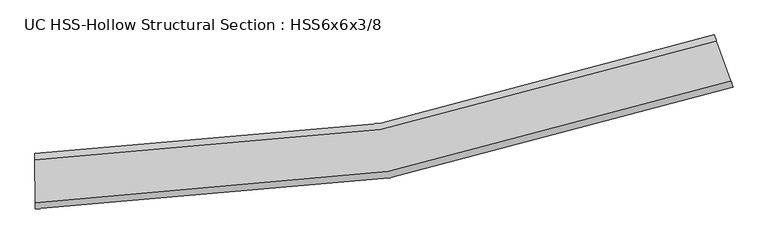
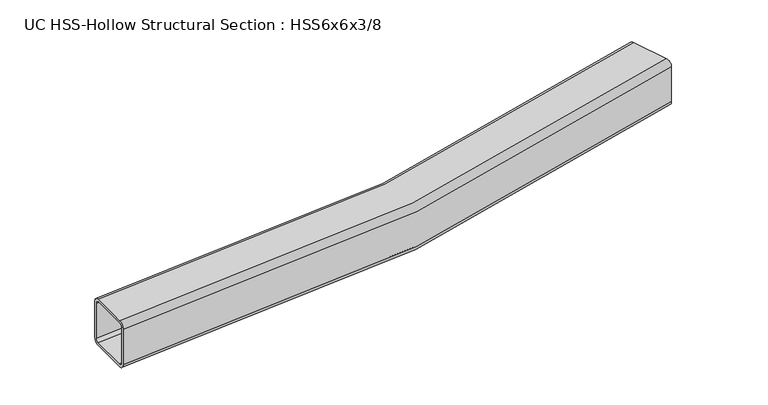
"""IFC4 building model written with IfcOpenShell, lengths in millimetres: beam geometry, UC HSS-Hollow Structural Section : HSS6x6x3/8."""

from ifc_helpers import new_model, si_unit, point, frame, origin, place, context, project, spatial, polyline, circle_curve, ellipse_curve, trimmed, source, transform, mapped, element, save
from ifc_brep_helpers import plane_surface, cylinder_surface, revolved_surface, advanced_brep


def uc_hss_hollow_structural_section_hss6x6x3_8_9e78e134(model_context):
    return source(origin(), model_context, "Body", "AdvancedBrep", [
        advanced_brep(
        [(1922.2670403, 258.4320915, 58.4708), (1922.2670403, 258.4320915, -58.4708), (1916.275929, 275.1183468, -76.2), (1876.7586275, 385.1806959, -76.2), (1870.7675162, 401.8669513, -58.4708), (1870.7675162, 401.8669513, 58.4708), (1876.7586275, 385.1806959, 76.2), (1916.275929, 275.1183468, 76.2), (1876.7586275, 385.1806959, 67.3354), (1873.7630718, 393.5238236, 58.4708), (1873.7630718, 393.5238236, -58.4708), (1876.7586275, 385.1806959, -67.3354), (1916.275929, 275.1183468, -67.3354), (1919.2714847, 266.7752191, -58.4708), (1919.2714847, 266.7752191, 58.4708), (1916.275929, 275.1183468, 67.3354), (10.5442773, -76.1902274, 58.4708), (10.511414, -58.4610579, 76.2), (10.2946484, 58.4803412, 76.2), (10.2617852, 76.2095107, 58.4708), (10.2617852, 76.2095107, -58.4708), (10.2946484, 58.4803412, -76.2), (10.511414, -58.4610579, -76.2), (10.5442773, -76.1902274, -58.4708), (10.2946484, 58.4803412, 67.3354), (10.511414, -58.4610579, 67.3354), (10.5278457, -67.3256427, 58.4708), (10.5278457, -67.3256427, -58.4708), (10.511414, -58.4610579, -67.3354), (10.2946484, 58.4803412, -67.3354), (10.2782168, 67.344926, -58.4708), (10.2782168, 67.344926, 58.4708)],
        [
            (0, 1),
            (1, 2, circle_curve(frame((1916.275929, 275.1183468, -58.4708), z_axis=(0.9411736208787445, 0.33792338682309847, 0.0), x_axis=(-0.33792338682309847, 0.9411736208787445, 0.0)), 17.7292)),
            (2, 3),
            (3, 4, circle_curve(frame((1876.7586275, 385.1806959, -58.4708), z_axis=(0.9411736208787447, 0.3379233868230981, 0.0), x_axis=(-0.3379233868230981, 0.9411736208787447, 0.0)), 17.7292)),
            (4, 5),
            (5, 6, circle_curve(frame((1876.7586275, 385.1806959, 58.4708), z_axis=(0.9411736208787445, 0.33792338682309847, 0.0), x_axis=(-0.33792338682309847, 0.9411736208787445, 0.0)), 17.7292)),
            (6, 7),
            (7, 0, circle_curve(frame((1916.275929, 275.1183468, 58.4708), z_axis=(0.9411736208787445, 0.33792338682309847, 0.0), x_axis=(-0.33792338682309847, 0.9411736208787445, 0.0)), 17.7292)),
            (8, 9, circle_curve(frame((1876.7586275, 385.1806959, 58.4708), z_axis=(-0.9411736208787447, -0.3379233868230981, 0.0), x_axis=(-0.3379233868230981, 0.9411736208787447, 0.0)), 8.8646)),
            (9, 10),
            (10, 11, circle_curve(frame((1876.7586275, 385.1806959, -58.4708), z_axis=(-0.9411736208787445, -0.33792338682309847, 0.0), x_axis=(-0.33792338682309847, 0.9411736208787445, 0.0)), 8.8646)),
            (11, 12),
            (12, 13, circle_curve(frame((1916.275929, 275.1183468, -58.4708), z_axis=(-0.9411736208787447, -0.3379233868230981, 0.0), x_axis=(-0.3379233868230981, 0.9411736208787447, 0.0)), 8.8646)),
            (13, 14),
            (14, 15, circle_curve(frame((1916.275929, 275.1183468, 58.4708), z_axis=(-0.9411736208787445, -0.33792338682309847, 0.0), x_axis=(-0.33792338682309847, 0.9411736208787445, 0.0)), 8.8646)),
            (15, 8),
            (16, 17, circle_curve(frame((10.511414, -58.4610579, 58.4708), z_axis=(-0.9999982820399017, -0.0018536227353748713, 0.0), x_axis=(-0.0018536227353748713, 0.9999982820399017, 0.0)), 17.7292)),
            (17, 18),
            (18, 19, circle_curve(frame((10.2946484, 58.4803412, 58.4708), z_axis=(-0.9999982820399017, -0.0018536227353748713, 0.0), x_axis=(-0.0018536227353748713, 0.9999982820399017, 0.0)), 17.7292)),
            (19, 20),
            (20, 21, circle_curve(frame((10.2946484, 58.4803412, -58.4708), z_axis=(-0.9999982820399017, -0.0018536227353748713, 0.0), x_axis=(-0.0018536227353748713, 0.9999982820399017, 0.0)), 17.7292)),
            (21, 22),
            (22, 23, circle_curve(frame((10.511414, -58.4610579, -58.4708), z_axis=(-0.9999982820399017, -0.0018536227353748713, 0.0), x_axis=(-0.0018536227353748713, 0.9999982820399017, 0.0)), 17.7292)),
            (23, 16),
            (24, 25),
            (25, 26, circle_curve(frame((10.511414, -58.4610579, 58.4708), z_axis=(0.9999982820399017, 0.0018536227353748713, 0.0), x_axis=(-0.0018536227353748713, 0.9999982820399017, 0.0)), 8.8646)),
            (26, 27),
            (27, 28, circle_curve(frame((10.511414, -58.4610579, -58.4708), z_axis=(0.9999982820399017, 0.0018536227353748713, 0.0), x_axis=(-0.0018536227353748713, 0.9999982820399017, 0.0)), 8.8646)),
            (28, 29),
            (29, 30, circle_curve(frame((10.2946484, 58.4803412, -58.4708), z_axis=(0.9999982820399017, 0.0018536227353748713, 0.0), x_axis=(-0.0018536227353748713, 0.9999982820399017, 0.0)), 8.8646)),
            (30, 31),
            (31, 24, circle_curve(frame((10.2946484, 58.4803412, 58.4708), z_axis=(0.9999982820399017, 0.0018536227353748713, 0.0), x_axis=(-0.0018536227353748713, 0.9999982820399017, 0.0)), 8.8646)),
            (7, 17, circle_curve(frame((0.0, 5612.2699766, 76.2), z_axis=(0.0, 0.0, -1.0), x_axis=(-0.905831646817391, 0.42363784961225254, 0.0)), 5670.7407766)),
            (16, 0, circle_curve(frame((0.0, 5612.2699766, 58.4708), z_axis=(0.0, 0.0, 1.0), x_axis=(-0.905831646817391, 0.42363784961225254, 0.0)), 5688.4699766)),
            (6, 18, circle_curve(frame((0.0, 5612.2699766, 76.2), z_axis=(0.0, 0.0, -1.0), x_axis=(-0.905831646817391, 0.42363784961225254, 0.0)), 5553.7991766)),
            (5, 19, circle_curve(frame((0.0, 5612.2699766, 58.4708), z_axis=(0.0, 0.0, -1.0), x_axis=(-0.905831646817391, 0.42363784961225254, 0.0)), 5536.0699766)),
            (4, 20, circle_curve(frame((0.0, 5612.2699766, -58.4708), z_axis=(0.0, 0.0, -1.0), x_axis=(-0.905831646817391, 0.42363784961225254, 0.0)), 5536.0699766)),
            (3, 21, circle_curve(frame((0.0, 5612.2699766, -76.2), z_axis=(0.0, 0.0, -1.0), x_axis=(-0.905831646817391, 0.42363784961225254, 0.0)), 5553.7991766)),
            (2, 22, circle_curve(frame((0.0, 5612.2699766, -76.2), z_axis=(0.0, 0.0, -1.0), x_axis=(-0.905831646817391, 0.42363784961225254, 0.0)), 5670.7407766)),
            (1, 23, circle_curve(frame((0.0, 5612.2699766, -58.4708), z_axis=(0.0, 0.0, -1.0), x_axis=(-0.905831646817391, 0.42363784961225254, 0.0)), 5688.4699766)),
            (15, 25, circle_curve(frame((0.0, 5612.2699766, 67.3354), z_axis=(0.0, 0.0, -1.0), x_axis=(-0.905831646817391, 0.42363784961225254, 0.0)), 5670.7407766)),
            (24, 8, circle_curve(frame((0.0, 5612.2699766, 67.3354), z_axis=(0.0, 0.0, 1.0), x_axis=(-0.905831646817391, 0.42363784961225254, 0.0)), 5553.7991766)),
            (14, 26, circle_curve(frame((0.0, 5612.2699766, 58.4708), z_axis=(0.0, 0.0, -1.0), x_axis=(-0.905831646817391, 0.42363784961225254, 0.0)), 5679.6053766)),
            (13, 27, circle_curve(frame((0.0, 5612.2699766, -58.4708), z_axis=(0.0, 0.0, -1.0), x_axis=(-0.905831646817391, 0.42363784961225254, 0.0)), 5679.6053766)),
            (12, 28, circle_curve(frame((0.0, 5612.2699766, -67.3354), z_axis=(0.0, 0.0, -1.0), x_axis=(-0.905831646817391, 0.42363784961225254, 0.0)), 5670.7407766)),
            (11, 29, circle_curve(frame((0.0, 5612.2699766, -67.3354), z_axis=(0.0, 0.0, -1.0), x_axis=(-0.905831646817391, 0.42363784961225254, 0.0)), 5553.7991766)),
            (10, 30, circle_curve(frame((0.0, 5612.2699766, -58.4708), z_axis=(0.0, 0.0, -1.0), x_axis=(-0.905831646817391, 0.42363784961225254, 0.0)), 5544.9345766)),
            (9, 31, circle_curve(frame((0.0, 5612.2699766, 58.4708), z_axis=(0.0, 0.0, -1.0), x_axis=(-0.905831646817391, 0.42363784961225254, 0.0)), 5544.9345766)),
        ],
        [
            plane_surface(frame((1896.5172783, 330.1495214, 0.0), z_axis=(0.9411736208787425, 0.33792338682310413, 0.0), x_axis=(0.0, 0.0, 1.0))),
            plane_surface(frame((10.4030312, 0.0096417, 0.0), z_axis=(-0.9999982820399018, -0.0018536227353813661, 0.0), x_axis=(0.0, 0.0, 1.0))),
            revolved_surface(trimmed(ellipse_curve(frame((-5136.7364563, 8014.6104049, 58.4708), z_axis=(-0.4236378496122576, -0.9058316468173887, 0.0), x_axis=(0.9058316468173887, -0.4236378496122576, 0.0)), 17.7292, 17.7292), [point((-5136.7364563, 8014.6104049, 76.2))], [point((-5152.7961268, 8022.121165, 58.4708))], True, "CARTESIAN"), (0.0, 5612.2699766, 0.0), (0.0, 0.0, -1.0000000000000002)),
            plane_surface(frame((0.0, 5612.2699766, 76.2), z_axis=(0.0, 0.0, 1.0000000000000002), x_axis=(-0.905831646817391, 0.42363784961225254, 0.0))),
            revolved_surface(trimmed(ellipse_curve(frame((-5030.8070542, 7965.0695169, 58.4708), z_axis=(-0.4236378496122576, -0.9058316468173887, 0.0), x_axis=(0.9058316468173887, -0.4236378496122576, 0.0)), 17.7292, 17.7292), [point((-5014.7473838, 7957.5587568, 58.4708))], [point((-5030.8070542, 7965.0695169, 76.2))], True, "CARTESIAN"), (0.0, 5612.2699766, 0.0), (0.0, 0.0, -1.0000000000000002)),
            revolved_surface(polyline([(-5014.747383799893, 7957.558756789776, -58.470800000000025), (-5014.747383799893, 7957.558756789776, 58.470800000000025)]), (0.0, 5612.2699766, 0.0), (0.0, 0.0, -1.0000000000000002)),
            revolved_surface(trimmed(ellipse_curve(frame((-5030.8070542, 7965.0695169, -58.4708), z_axis=(-0.4236378496122576, -0.9058316468173887, 0.0), x_axis=(0.9058316468173887, -0.4236378496122576, 0.0)), 17.7292, 17.7292), [point((-5030.8070542, 7965.0695169, -76.2))], [point((-5014.7473838, 7957.5587568, -58.4708))], True, "CARTESIAN"), (0.0, 5612.2699766, 0.0), (0.0, 0.0, -1.0000000000000002)),
            plane_surface(frame((0.0, 5612.2699766, -76.2), z_axis=(0.0, 0.0, -1.0000000000000002), x_axis=(-0.905831646817391, 0.42363784961225254, 0.0))),
            revolved_surface(trimmed(ellipse_curve(frame((-5136.7364563, 8014.6104049, -58.4708), z_axis=(-0.4236378496122576, -0.9058316468173887, 0.0), x_axis=(0.9058316468173887, -0.4236378496122576, 0.0)), 17.7292, 17.7292), [point((-5152.7961268, 8022.121165, -58.4708))], [point((-5136.7364563, 8014.6104049, -76.2))], True, "CARTESIAN"), (0.0, 5612.2699766, 0.0), (0.0, 0.0, -1.0000000000000002)),
            cylinder_surface(frame((0.0, 5612.2699766, 0.0), z_axis=(0.0, 0.0, -1.0000000000000002), x_axis=(-0.905831646817391, 0.42363784961225254, 0.0)), 5688.4699766),
            plane_surface(frame((0.0, 5612.2699766, 67.3354), z_axis=(0.0, 0.0, -1.0000000000000002), x_axis=(-0.905831646817391, 0.42363784961225254, 0.0))),
            revolved_surface(trimmed(ellipse_curve(frame((-5136.7364563, 8014.6104049, 58.4708), z_axis=(0.4236378496122576, 0.9058316468173887, 0.0), x_axis=(0.9058316468173887, -0.4236378496122576, 0.0)), 8.8646, 8.8646), [point((-5144.7662915, 8018.365785, 58.4708))], [point((-5136.7364563, 8014.6104049, 67.3354))], True, "CARTESIAN"), (0.0, 5612.2699766, 0.0), (0.0, 0.0, -1.0000000000000002)),
            revolved_surface(polyline([(-5144.766291558487, 8018.365784989011, -58.470800000000025), (-5144.766291558487, 8018.365784989011, 58.470800000000025)]), (0.0, 5612.2699766, 0.0), (0.0, 0.0, -1.0000000000000002)),
            revolved_surface(trimmed(ellipse_curve(frame((-5136.7364563, 8014.6104049, -58.4708), z_axis=(0.4236378496122576, 0.9058316468173887, 0.0), x_axis=(0.9058316468173887, -0.4236378496122576, 0.0)), 8.8646, 8.8646), [point((-5136.7364563, 8014.6104049, -67.3354))], [point((-5144.7662915, 8018.365785, -58.4708))], True, "CARTESIAN"), (0.0, 5612.2699766, 0.0), (0.0, 0.0, -1.0000000000000002)),
            plane_surface(frame((0.0, 5612.2699766, -67.3354), z_axis=(0.0, 0.0, 1.0000000000000002), x_axis=(-0.905831646817391, 0.42363784961225254, 0.0))),
            revolved_surface(trimmed(ellipse_curve(frame((-5030.8070542, 7965.0695169, -58.4708), z_axis=(0.4236378496122576, 0.9058316468173887, 0.0), x_axis=(0.9058316468173887, -0.4236378496122576, 0.0)), 8.8646, 8.8646), [point((-5022.777219, 7961.3141368, -58.4708))], [point((-5030.8070542, 7965.0695169, -67.3354))], True, "CARTESIAN"), (0.0, 5612.2699766, 0.0), (0.0, 0.0, -1.0000000000000002)),
            cylinder_surface(frame((0.0, 5612.2699766, 0.0), z_axis=(0.0, 0.0, -1.0000000000000002), x_axis=(-0.905831646817391, 0.42363784961225254, 0.0)), 5544.9345766),
            revolved_surface(trimmed(ellipse_curve(frame((-5030.8070542, 7965.0695169, 58.4708), z_axis=(0.4236378496122576, 0.9058316468173887, 0.0), x_axis=(0.9058316468173887, -0.4236378496122576, 0.0)), 8.8646, 8.8646), [point((-5030.8070542, 7965.0695169, 67.3354))], [point((-5022.777219, 7961.3141368, 58.4708))], True, "CARTESIAN"), (0.0, 5612.2699766, 0.0), (0.0, 0.0, -1.0000000000000002)),
        ],
        [
            (0, [[1, 2, 3, 4, 5, 6, 7, 8], [9, 10, 11, 12, 13, 14, 15, 16]]),
            (1, [[17, 18, 19, 20, 21, 22, 23, 24], [25, 26, 27, 28, 29, 30, 31, 32]]),
            (2, [[33, -17, 34, -8]]),
            (3, [[35, -18, -33, -7]]),
            (4, [[36, -19, -35, -6]]),
            (5, [[37, -20, -36, -5]]),
            (6, [[38, -21, -37, -4]]),
            (7, [[39, -22, -38, -3]]),
            (8, [[40, -23, -39, -2]]),
            (9, [[-34, -24, -40, -1]]),
            (10, [[41, -25, 42, -16]]),
            (11, [[43, -26, -41, -15]]),
            (12, [[44, -27, -43, -14]]),
            (13, [[45, -28, -44, -13]]),
            (14, [[46, -29, -45, -12]]),
            (15, [[47, -30, -46, -11]]),
            (16, [[48, -31, -47, -10]]),
            (17, [[-42, -32, -48, -9]]),
        ],
    ),
    ])


if __name__ == "__main__":
    model = new_model("IFC4")
    model_context = context("Model", 3, world=origin())
    ifc_project = project(units=[si_unit("LENGTHUNIT", "METRE", prefix="MILLI")], contexts=[model_context])
    site = spatial("IfcSite", under=ifc_project)
    building = spatial("IfcBuilding", under=site)
    placement = place(None, origin())
    uc_hss_hollow_structural_section_hss6x6x3_8_shape = uc_hss_hollow_structural_section_hss6x6x3_8_9e78e134(model_context)
    element("IfcBeam", 1, ObjectType="UC HSS-Hollow Structural Section : HSS6x6x3/8", at=placement, inside=building, context=model_context, shape_type="MappedRepresentation", body=[
        mapped(uc_hss_hollow_structural_section_hss6x6x3_8_shape, transform((0.0, 0.0, 0.0), x_axis=(1.0, 0.0, 0.0), y_axis=(0.0, 1.0, 0.0), z_axis=(0.0, 0.0, 1.0))),
    ])
    save(model, "model.ifc")
